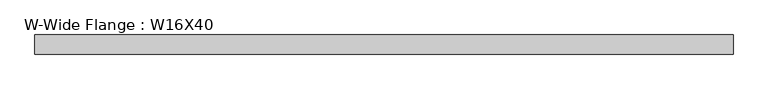
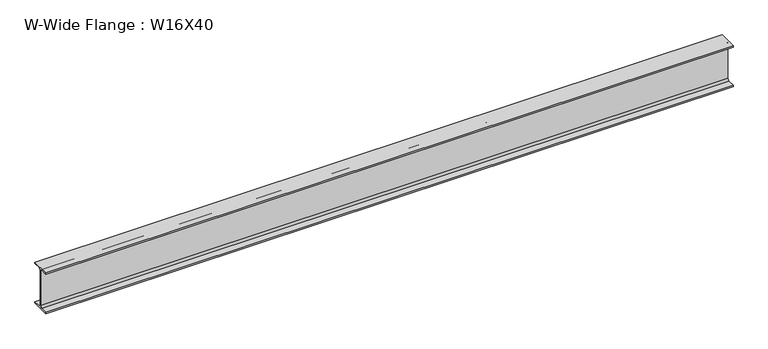
"""IFC4 building model written with IfcOpenShell, lengths in millimetres: beam geometry, W-Wide Flange : W16X40."""

from ifc_helpers import new_model, si_unit, point, frame, frame_2d, origin, place, context, project, spatial, polyline, circle_curve, trimmed, segment, composite_curve, outline, extrude, source, transform, mapped, element, save


def w_wide_flange_w16x40_62e03b86(model_context):
    return source(origin(), model_context, "Body", "SweptSolid", [
        extrude(outline(composite_curve([segment(polyline([(88.9, -190.4), (88.9, -203.2), (-88.9, -203.2), (-88.9, -190.4), (-21.25, -190.4)]), True, "CONTINUOUS"), segment(trimmed(circle_curve(frame_2d((-21.25, -173.0)), 17.4), [point((-21.25, -190.4))], [point((-3.85, -173.0))], True, "CARTESIAN"), True, "CONTINUOUS"), segment(polyline([(-3.85, -173.0), (-3.85, 173.0)]), True, "CONTINUOUS"), segment(trimmed(circle_curve(frame_2d((-21.25, 173.0)), 17.4), [point((-3.85, 173.0))], [point((-21.25, 190.4))], True, "CARTESIAN"), True, "CONTINUOUS"), segment(polyline([(-21.25, 190.4), (-88.9, 190.4), (-88.9, 203.2), (88.9, 203.2), (88.9, 190.4), (21.25, 190.4)]), True, "CONTINUOUS"), segment(trimmed(circle_curve(frame_2d((21.25, 173.0)), 17.4), [point((21.25, 190.4))], [point((3.85, 173.0))], True, "CARTESIAN"), True, "CONTINUOUS"), segment(polyline([(3.85, 173.0), (3.85, -173.0)]), True, "CONTINUOUS"), segment(trimmed(circle_curve(frame_2d((21.25, -173.0)), 17.4), [point((3.85, -173.0))], [point((21.25, -190.4))], True, "CARTESIAN"), True, "CONTINUOUS"), segment(polyline([(21.25, -190.4), (88.9, -190.4)]), True, "CONTINUOUS")], self_intersect=False)), frame((-3333.2097508, 0.0, 0.0), z_axis=(1.0, 0.0, 0.0), x_axis=(0.0, 1.0, 0.0)), (0.0, 0.0, 1.0), 6477.9298306),
    ])


if __name__ == "__main__":
    model = new_model("IFC4")
    model_context = context("Model", 3, world=origin())
    ifc_project = project(units=[si_unit("LENGTHUNIT", "METRE", prefix="MILLI")], contexts=[model_context])
    site = spatial("IfcSite", under=ifc_project)
    building = spatial("IfcBuilding", under=site)
    placement = place(None, origin())
    w_wide_flange_w16x40_shape = w_wide_flange_w16x40_62e03b86(model_context)
    element("IfcBeam", 1, ObjectType="W-Wide Flange : W16X40", at=placement, inside=building, context=model_context, shape_type="MappedRepresentation", body=[
        mapped(w_wide_flange_w16x40_shape, transform((0.0, 0.0, 0.0), x_axis=(1.0, 0.0, 0.0), y_axis=(0.0, 1.0, 0.0), z_axis=(0.0, 0.0, 1.0))),
    ])
    save(model, "model.ifc")
